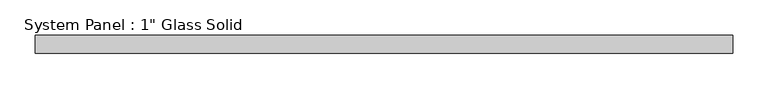
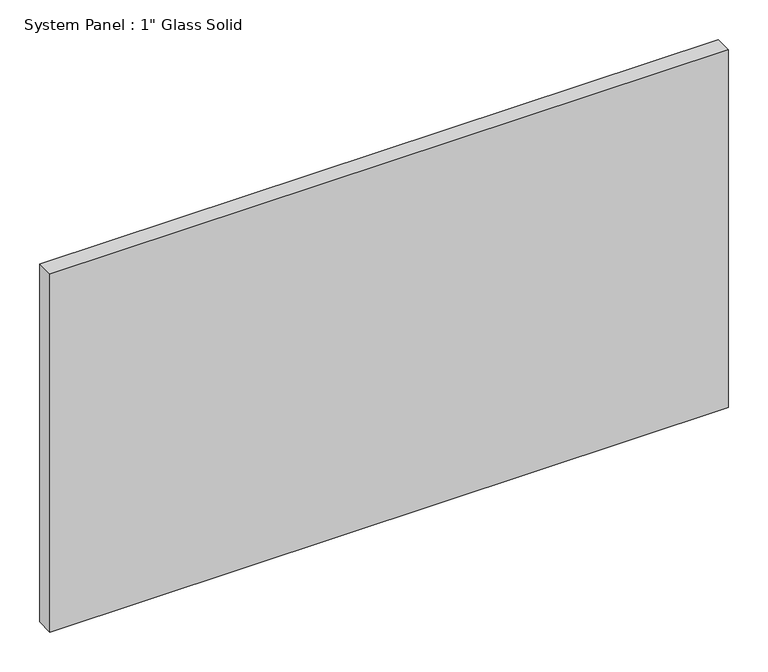
"""IFC4 building model written with IfcOpenShell, lengths in millimetres: plate geometry."""

from ifc_helpers import new_model, si_unit, origin, origin_with_axes, place, context, project, spatial, polyline, outline, extrude, source, transform, mapped, element, save


def plate_d0d65f64(model_context):
    return source(origin(), model_context, "Body", "SweptSolid", [
        extrude(outline(polyline([(492.125, -12.7), (-492.125, -12.7), (-492.125, 12.7), (492.125, 12.7), (492.125, -12.7)])), origin_with_axes(), (0.0, 0.0, 1.0), 549.2785408),
    ])


if __name__ == "__main__":
    model = new_model("IFC4")
    model_context = context("Model", 3, world=origin())
    ifc_project = project(units=[si_unit("LENGTHUNIT", "METRE", prefix="MILLI")], contexts=[model_context])
    site = spatial("IfcSite", under=ifc_project)
    building = spatial("IfcBuilding", under=site)
    placement = place(None, origin())
    plate_shape = plate_d0d65f64(model_context)
    element("IfcPlate", 1, ObjectType="System Panel : 1\" Glass Solid", at=placement, inside=building, context=model_context, shape_type="MappedRepresentation", body=[
        mapped(plate_shape, transform((0.0, 0.0, 0.0), x_axis=(1.0, 0.0, 0.0), y_axis=(0.0, 1.0, 0.0), z_axis=(0.0, 0.0, 1.0))),
    ])
    save(model, "model.ifc")
